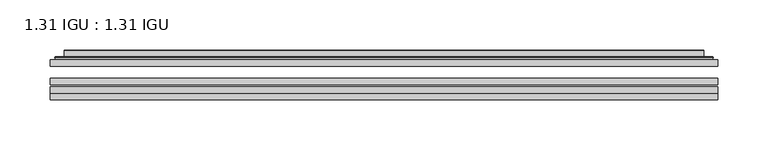
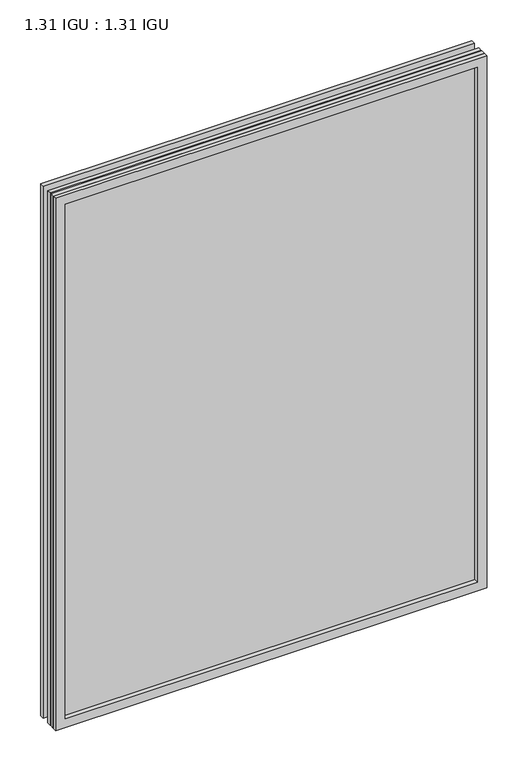
"""IFC4 building model written with IfcOpenShell, lengths in millimetres: plate geometry, 1.31 IGU : 1.31 IGU."""

from ifc_helpers import new_model, si_unit, frame, origin, place, context, project, spatial, polyline, ellipse_curve, outline, extrude, faceted_brep, source, transform, mapped, element, save
from ifc_brep_helpers import plane_surface, cylinder_surface, advanced_brep


def plate_1_31_igu_1_31_igu_b103291e(model_context):
    return source(origin(), model_context, "Body", "SolidModel", [
        extrude(outline(polyline([(333.389175, -63.2975937), (333.389175, -69.6475938), (-333.375, -69.6475938), (-333.375, -63.2975937), (333.389175, -63.2975937)])), frame((0.0, 0.0, -14.2875), z_axis=(0.0, 0.0, 1.0), x_axis=(1.0, 0.0, 0.0)), (0.0, 0.0, 1.0), 869.9537979),
        extrude(outline(polyline([(-333.375, -78.2835938), (-333.375, -71.9330887), (333.389175, -71.9330887), (333.389175, -78.2835938), (-333.375, -78.2835938)])), frame((0.0, 0.0, -14.2875), z_axis=(0.0, 0.0, 1.0), x_axis=(1.0, 0.0, 0.0)), (0.0, 0.0, 1.0), 869.9537979),
        extrude(outline(polyline([(333.389175, -44.9587937), (333.389175, -51.3087938), (-333.375, -51.3087938), (-333.375, -44.9587937), (333.389175, -44.9587937)])), frame((0.0, 0.0, -14.2875), z_axis=(0.0, 0.0, 1.0), x_axis=(1.0, 0.0, 0.0)), (0.0, 0.0, 1.0), 869.9537979),
        faceted_brep([(-333.3877, -84.6335937, 855.6752), (-333.3877, -78.2835937, 855.6752), (-333.3877, -78.2835937, -14.3002), (-333.3877, -84.6335937, -14.3002), (333.3877, -78.2835937, -14.3002), (333.3877, -84.6335937, -14.3002), (333.3877, -78.2835937, 855.6752), (333.3877, -84.6335937, 855.6752), (-318.1897559, -78.2835937, 0.8977441), (318.1897559, -78.2835937, 0.8977441), (318.1897559, -78.2835937, 840.4772559), (-318.1897559, -78.2835937, 840.4772559), (-319.0821902, -84.6335937, 841.3696902), (319.0821902, -84.6335937, 841.3696902), (319.0821902, -84.6335937, 0.0053098), (-319.0821902, -84.6335937, 0.0053098)], [[[0, 1, 2, 3]], [[3, 2, 4, 5]], [[5, 4, 6, 7]], [[1, 6, 4, 2], [8, 9, 10, 11]], [[7, 6, 1, 0]], [[3, 5, 7, 0], [12, 13, 14, 15]], [[11, 12, 15, 8]], [[8, 15, 14, 9]], [[9, 14, 13, 10]], [[10, 13, 12, 11]]]),
        advanced_brep(
        [(-326.133719, -44.9587937, 848.421219), (-328.4879244, -42.9691271, 850.7754244), (-328.4879244, -42.9691271, -9.4004244), (-326.133719, -44.9587937, -7.046219), (-317.0593939, -41.1187568, 839.3468939), (-312.1245621, -44.9587937, 834.4120621), (-312.1245621, -44.9587937, 6.9629379), (-317.0593939, -41.1187568, 2.0281061), (-318.0914217, -35.7215256, 840.3789217), (-318.0914217, -35.7215256, 0.9960783), (-319.0820784, -35.3225507, 841.3695784), (-319.0820784, -35.3225507, 0.0054216), (-319.0820784, -41.7837937, 841.3695784), (-319.0820784, -41.7837937, 0.0054216), (-327.4861349, -41.7837937, 849.7736349), (-327.4861349, -41.7837937, -8.3986349), (328.4879244, -42.9691271, -9.4004244), (326.133719, -44.9587937, -7.046219), (312.1245621, -44.9587937, 6.9629379), (317.0593939, -41.1187568, 2.0281061), (318.0914217, -35.7215256, 0.9960783), (319.0820784, -35.3225507, 0.0054216), (319.0820784, -41.7837937, 0.0054216), (327.4861349, -41.7837937, -8.3986349), (328.4879244, -42.9691271, 850.7754244), (326.133719, -44.9587937, 848.421219), (312.1245621, -44.9587937, 834.4120621), (317.0593939, -41.1187568, 839.3468939), (318.0914217, -35.7215256, 840.3789217), (319.0820784, -35.3225507, 841.3695784), (319.0820784, -41.7837937, 841.3695784), (327.4861349, -41.7837937, 849.7736349)],
        [
            (0, 1, ellipse_curve(frame((-326.133719, -42.5711937, 848.421219), z_axis=(-0.7071067811865475, 0.0, -0.7071067811865475), x_axis=(-0.7071067811865474, 0.0, 0.7071067811865476)), 3.3765763, 2.3876)),
            (1, 2),
            (2, 3, ellipse_curve(frame((-326.133719, -42.5711937, -7.046219), z_axis=(-0.7071067811865475, 0.0, 0.7071067811865475), x_axis=(0.7071067811865474, 0.0, 0.7071067811865476)), 3.3765763, 2.3876)),
            (3, 0),
            (4, 5),
            (5, 6),
            (6, 7),
            (7, 4),
            (8, 4),
            (7, 9),
            (9, 8),
            (10, 8, ellipse_curve(frame((-318.7151219, -35.840786, 841.0026219), z_axis=(-0.7071067811865475, 0.0, -0.7071067811865475), x_axis=(-0.7071067811865474, 0.0, 0.7071067811865476)), 0.8980256, 0.635)),
            (9, 11, ellipse_curve(frame((-318.7151219, -35.840786, 0.3723781), z_axis=(-0.7071067811865475, 0.0, 0.7071067811865475), x_axis=(0.7071067811865474, 0.0, 0.7071067811865476)), 0.8980256, 0.635)),
            (11, 10),
            (12, 10),
            (11, 13),
            (13, 12),
            (1, 14, ellipse_curve(frame((-327.4861349, -42.7997937, 849.7736349), z_axis=(-0.7071067811865475, 0.0, -0.7071067811865475), x_axis=(-0.7071067811865474, 0.0, 0.7071067811865476)), 1.436841, 1.016)),
            (14, 15),
            (15, 2, ellipse_curve(frame((-327.4861349, -42.7997937, -8.3986349), z_axis=(-0.7071067811865475, 0.0, 0.7071067811865475), x_axis=(0.7071067811865474, 0.0, 0.7071067811865476)), 1.436841, 1.016)),
            (2, 16),
            (16, 17, ellipse_curve(frame((326.133719, -42.5711937, -7.046219), z_axis=(-0.7071067811865475, 0.0, -0.7071067811865475), x_axis=(-0.7071067811865476, 0.0, 0.7071067811865474)), 3.3765763, 2.3876)),
            (17, 3),
            (6, 18),
            (18, 19),
            (19, 7),
            (19, 20),
            (20, 9),
            (20, 21, ellipse_curve(frame((318.7151219, -35.840786, 0.3723781), z_axis=(-0.7071067811865475, 0.0, -0.7071067811865475), x_axis=(-0.7071067811865476, 0.0, 0.7071067811865474)), 0.8980256, 0.635)),
            (21, 11),
            (21, 22),
            (22, 13),
            (15, 23),
            (23, 16, ellipse_curve(frame((327.4861349, -42.7997937, -8.3986349), z_axis=(-0.7071067811865475, 0.0, -0.7071067811865475), x_axis=(-0.7071067811865476, 0.0, 0.7071067811865474)), 1.436841, 1.016)),
            (16, 24),
            (24, 25, ellipse_curve(frame((326.133719, -42.5711937, 848.421219), z_axis=(0.7071067811865475, 0.0, -0.7071067811865475), x_axis=(-0.7071067811865474, 0.0, -0.7071067811865476)), 3.3765763, 2.3876)),
            (25, 17),
            (18, 26),
            (26, 27),
            (27, 19),
            (27, 28),
            (28, 20),
            (28, 29, ellipse_curve(frame((318.7151219, -35.840786, 841.0026219), z_axis=(0.7071067811865475, 0.0, -0.7071067811865475), x_axis=(-0.7071067811865474, 0.0, -0.7071067811865476)), 0.8980256, 0.635)),
            (29, 21),
            (29, 30),
            (30, 22),
            (23, 31),
            (31, 24, ellipse_curve(frame((327.4861349, -42.7997937, 849.7736349), z_axis=(0.7071067811865475, 0.0, -0.7071067811865475), x_axis=(-0.7071067811865474, 0.0, -0.7071067811865476)), 1.436841, 1.016)),
            (24, 1),
            (0, 25),
            (5, 26),
            (4, 27),
            (8, 28),
            (10, 29),
            (12, 30),
            (14, 31),
        ],
        [
            cylinder_surface(frame((-326.133719, -42.5711937, 873.125), z_axis=(0.0, 0.0, 1.0), x_axis=(-1.0, 0.0, 0.0)), 2.3876),
            plane_surface(frame((-312.1245621, -44.9587937, 834.4120621), z_axis=(0.6141233906514794, 0.7892100234124821, 0.0), x_axis=(0.0, 0.0, -1.0))),
            plane_surface(frame((-317.0593939, -41.1187568, 839.3468939), z_axis=(0.9822050625507729, 0.18781164793386076, 0.0), x_axis=(0.0, 0.0, -1.0))),
            cylinder_surface(frame((-318.7151219, -35.840786, 873.125), z_axis=(0.0, 0.0, 1.0), x_axis=(-1.0, 0.0, 0.0)), 0.635),
            plane_surface(frame((-319.0820784, -35.3225507, 841.3695784), z_axis=(-1.0, 0.0, 0.0), x_axis=(0.0, 0.0, -1.0))),
            cylinder_surface(frame((-327.4861349, -42.7997937, 873.125), z_axis=(0.0, 0.0, 1.0), x_axis=(-1.0, 0.0, 0.0)), 1.016),
            cylinder_surface(frame((-350.8375, -42.5711937, -7.046219), z_axis=(-1.0, 0.0, 0.0), x_axis=(0.0, 0.0, -1.0)), 2.3876),
            plane_surface(frame((-312.1245621, -44.9587937, 6.9629379), z_axis=(0.0, 0.7892100234124841, 0.6141233906514768), x_axis=(1.0, 0.0, 0.0))),
            plane_surface(frame((-317.0593939, -41.1187568, 2.0281061), z_axis=(0.0, 0.18781164793386393, 0.9822050625507723), x_axis=(1.0, 0.0, 0.0))),
            cylinder_surface(frame((-350.8375, -35.840786, 0.3723781), z_axis=(-1.0, 0.0, 0.0), x_axis=(0.0, 0.0, -1.0)), 0.635),
            plane_surface(frame((-319.0820784, -35.3225507, 0.0054216), z_axis=(0.0, 0.0, -1.0), x_axis=(1.0, 0.0, 0.0))),
            cylinder_surface(frame((-350.8375, -42.7997937, -8.3986349), z_axis=(-1.0, 0.0, 0.0), x_axis=(0.0, 0.0, -1.0)), 1.016),
            cylinder_surface(frame((326.133719, -42.5711937, -31.75), z_axis=(0.0, 0.0, -1.0), x_axis=(1.0, 0.0, 0.0)), 2.3876),
            plane_surface(frame((312.1245621, -44.9587937, 6.9629379), z_axis=(-0.6141233906514743, 0.7892100234124861, 0.0), x_axis=(0.0, 0.0, 1.0))),
            plane_surface(frame((317.0593939, -41.1187568, 2.0281061), z_axis=(-0.9822050625507718, 0.1878116479338671, 0.0), x_axis=(0.0, 0.0, 1.0))),
            cylinder_surface(frame((318.7151219, -35.840786, -31.75), z_axis=(0.0, 0.0, -1.0), x_axis=(1.0, 0.0, 0.0)), 0.635),
            plane_surface(frame((319.0820784, -35.3225507, 0.0054216), z_axis=(1.0, 0.0, 0.0), x_axis=(0.0, 0.0, 1.0))),
            cylinder_surface(frame((327.4861349, -42.7997937, -31.75), z_axis=(0.0, 0.0, -1.0), x_axis=(1.0, 0.0, 0.0)), 1.016),
            cylinder_surface(frame((350.8375, -42.5711937, 848.421219), z_axis=(1.0, 0.0, 0.0), x_axis=(0.0, 0.0, 1.0)), 2.3876),
            plane_surface(frame((326.133719, -44.9587937, 848.421219), z_axis=(0.0, -1.0, 0.0), x_axis=(-1.0, 0.0, 0.0))),
            plane_surface(frame((312.1245621, -44.9587937, 834.4120621), z_axis=(0.0, 0.7892100234124841, -0.6141233906514768), x_axis=(-1.0, 0.0, 0.0))),
            plane_surface(frame((317.0593939, -41.1187568, 839.3468939), z_axis=(0.0, 0.18781164793386393, -0.9822050625507723), x_axis=(-1.0, 0.0, 0.0))),
            cylinder_surface(frame((350.8375, -35.840786, 841.0026219), z_axis=(1.0, 0.0, 0.0), x_axis=(0.0, 0.0, 1.0)), 0.635),
            plane_surface(frame((319.0820784, -35.3225507, 841.3695784), z_axis=(0.0, 0.0, 1.0), x_axis=(-1.0, 0.0, 0.0))),
            plane_surface(frame((319.0820784, -41.7837937, 841.3695784), z_axis=(0.0, 1.0, 0.0), x_axis=(-1.0, 0.0, 0.0))),
            cylinder_surface(frame((350.8375, -42.7997937, 849.7736349), z_axis=(1.0, 0.0, 0.0), x_axis=(0.0, 0.0, 1.0)), 1.016),
        ],
        [
            (0, [[1, 2, 3, 4]]),
            (1, [[5, 6, 7, 8]]),
            (2, [[9, -8, 10, 11]]),
            (3, [[12, -11, 13, 14]]),
            (4, [[15, -14, 16, 17]]),
            (5, [[18, 19, 20, -2]]),
            (6, [[-3, 21, 22, 23]]),
            (7, [[-7, 24, 25, 26]]),
            (8, [[-10, -26, 27, 28]]),
            (9, [[-13, -28, 29, 30]]),
            (10, [[-16, -30, 31, 32]]),
            (11, [[-20, 33, 34, -21]]),
            (12, [[-22, 35, 36, 37]]),
            (13, [[-25, 38, 39, 40]]),
            (14, [[-27, -40, 41, 42]]),
            (15, [[-29, -42, 43, 44]]),
            (16, [[-31, -44, 45, 46]]),
            (17, [[-34, 47, 48, -35]]),
            (18, [[-36, 49, -1, 50]]),
            (19, [[-23, -37, -50, -4], [51, -38, -24, -6]]),
            (20, [[-39, -51, -5, 52]]),
            (21, [[-41, -52, -9, 53]]),
            (22, [[-43, -53, -12, 54]]),
            (23, [[-45, -54, -15, 55]]),
            (24, [[56, -47, -33, -19], [-32, -46, -55, -17]]),
            (25, [[-48, -56, -18, -49]]),
        ],
    ),
    ])


if __name__ == "__main__":
    model = new_model("IFC4")
    model_context = context("Model", 3, world=origin())
    ifc_project = project(units=[si_unit("LENGTHUNIT", "METRE", prefix="MILLI")], contexts=[model_context])
    site = spatial("IfcSite", under=ifc_project)
    building = spatial("IfcBuilding", under=site)
    placement = place(None, origin())
    plate_1_31_igu_1_31_igu_shape = plate_1_31_igu_1_31_igu_b103291e(model_context)
    element("IfcPlate", 1, ObjectType="1.31 IGU : 1.31 IGU", at=placement, inside=building, context=model_context, shape_type="MappedRepresentation", body=[
        mapped(plate_1_31_igu_1_31_igu_shape, transform((0.0, 0.0, 0.0), x_axis=(1.0, 0.0, 0.0), y_axis=(0.0, 1.0, 0.0), z_axis=(0.0, 0.0, 1.0))),
    ])
    save(model, "model.ifc")
